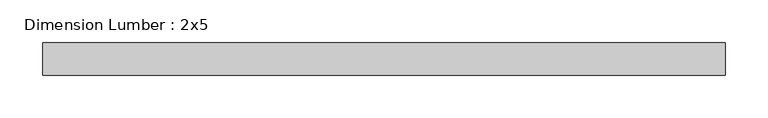
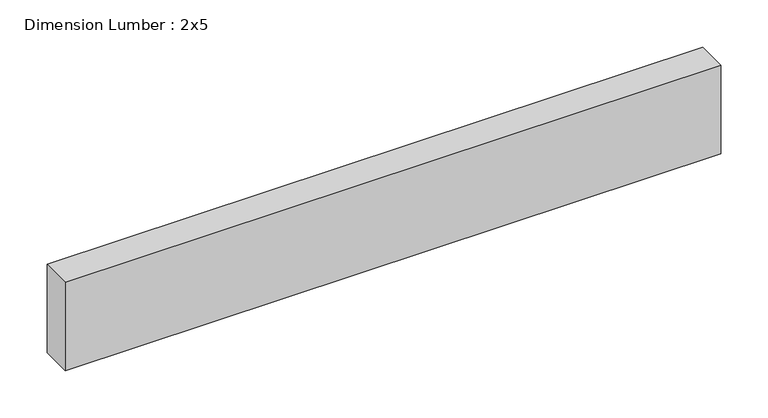
"""IFC4 building model written with IfcOpenShell, lengths in millimetres: beam geometry, Dimension Lumber : 2x5."""

from ifc_helpers import new_model, si_unit, frame, origin, place, context, project, spatial, polyline, outline, extrude, source, transform, mapped, element, save


def dimension_lumber_2x5_643ac70b(model_context):
    return source(origin(), model_context, "Body", "SweptSolid", [
        extrude(outline(polyline([(400.687563, 19.05), (400.687563, -19.05), (-400.687563, -19.05), (-400.687563, 19.05), (400.687563, 19.05)])), frame((0.0, 0.0, -57.15), z_axis=(0.0, 0.0, 1.0), x_axis=(1.0, 0.0, 0.0)), (0.0, 0.0, 1.0), 114.3),
    ])


if __name__ == "__main__":
    model = new_model("IFC4")
    model_context = context("Model", 3, world=origin())
    ifc_project = project(units=[si_unit("LENGTHUNIT", "METRE", prefix="MILLI")], contexts=[model_context])
    site = spatial("IfcSite", under=ifc_project)
    building = spatial("IfcBuilding", under=site)
    placement = place(None, origin())
    dimension_lumber_2x5_shape = dimension_lumber_2x5_643ac70b(model_context)
    element("IfcBeam", 1, ObjectType="Dimension Lumber : 2x5", at=placement, inside=building, context=model_context, shape_type="MappedRepresentation", body=[
        mapped(dimension_lumber_2x5_shape, transform((0.0, 0.0, 0.0), x_axis=(1.0, 0.0, 0.0), y_axis=(0.0, 1.0, 0.0), z_axis=(0.0, 0.0, 1.0))),
    ])
    save(model, "model.ifc")
